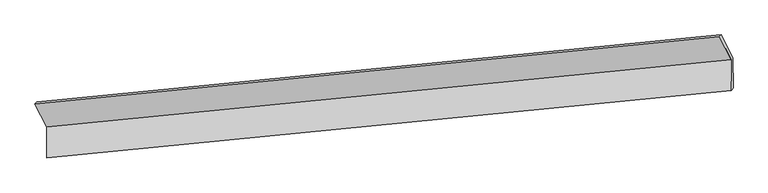
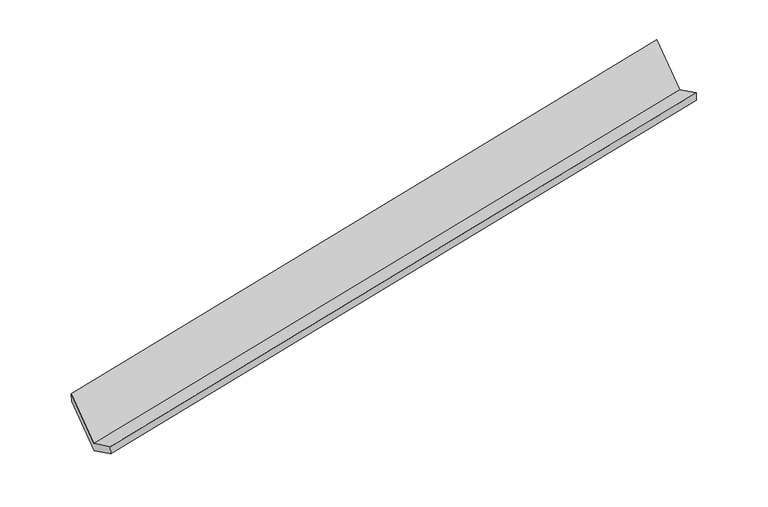
"""IFC4 building model written with IfcOpenShell, lengths in millimetres: proxy geometry."""

from ifc_helpers import new_model, si_unit, origin, place, context, project, spatial, faceted_brep, source, transform, mapped, element, save


def generic_models_6707c7e5(model_context):
    return source(origin(), model_context, "Body", "Brep", [
        faceted_brep([(-7476.4123425, -1942.8420794, 817.1311832), (-7472.8691161, -2365.5678557, 1022.0021663), (1836.4610231, -1448.4608052, 2810.6591742), (1832.9177967, -1025.7350289, 2605.7881911), (-7449.0283149, -2328.955724, 878.5830169), (1860.3018243, -1411.8486735, 2667.2400248), (-7452.4780828, -1917.3800416, 679.1158461), (1856.8520564, -1000.2729911, 2467.772854), (-7609.2282401, -1603.6456041, 1329.1787929), (1700.1018991, -686.5385536, 3117.8358008), (-7634.0899023, -1627.2514518, 1471.0401867), (1675.2402369, -710.1444013, 3259.6971946)], [[[0, 1, 2, 3]], [[1, 4, 5, 2]], [[4, 6, 7, 5]], [[6, 8, 9, 7]], [[8, 10, 11, 9]], [[10, 0, 3, 11]], [[9, 11, 3, 2, 5, 7]], [[0, 10, 8, 6, 4, 1]]]),
    ])


if __name__ == "__main__":
    model = new_model("IFC4")
    model_context = context("Model", 3, world=origin())
    ifc_project = project(units=[si_unit("LENGTHUNIT", "METRE", prefix="MILLI")], contexts=[model_context])
    site = spatial("IfcSite", under=ifc_project)
    building = spatial("IfcBuilding", under=site)
    placement = place(None, origin())
    generic_models_shape = generic_models_6707c7e5(model_context)
    element("IfcBuildingElementProxy", 1, Name="Generic Models", at=placement, inside=building, context=model_context, shape_type="MappedRepresentation", body=[
        mapped(generic_models_shape, transform((0.0, 0.0, 0.0), x_axis=(1.0, 0.0, 0.0), y_axis=(0.0, 1.0, 0.0), z_axis=(0.0, 0.0, 1.0))),
    ])
    save(model, "model.ifc")
